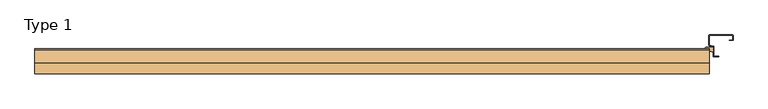
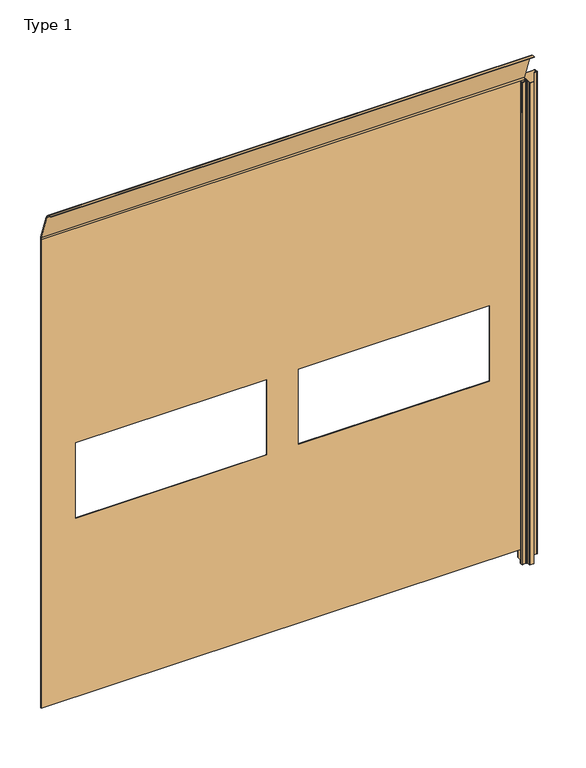
"""IFC4 building model written with IfcOpenShell, lengths in millimetres: door geometry, Type 1."""

from ifc_helpers import new_model, si_unit, frame, origin, place, context, project, spatial, polyline, circle_curve, source, transform, mapped, element, save
from ifc_brep_helpers import plane_surface, cylinder_surface, revolved_surface, advanced_brep


def type_1_74ce08aa(model_context):
    return source(origin(), model_context, "Body", "AdvancedBrep", [
        advanced_brep(
        [(1518.6, -163.0, 100.0), (1518.6, -167.0, 100.0), (-1518.6, -167.0, 100.0), (-1518.6, -163.0, 100.0), (1518.6, -167.0, 3210.0), (1518.6, -163.0, 3210.0), (1518.6, -166.0560661, 3227.9085343), (1518.6, -224.2464623, 3393.441215), (1518.6, -275.0, 3429.0), (1518.6, -275.0, 3425.0), (1518.6, -228.013005, 3392.0945108), (1518.6, -169.8296909, 3226.5819762), (-1518.6, -167.0, 3210.0), (-1300.0, -167.0, 1285.0), (-1300.0, -167.0, 1785.0), (-100.0, -167.0, 1785.0), (-100.0, -167.0, 1285.0), (100.0, -167.0, 1285.0), (100.0, -167.0, 1785.0), (1300.0, -167.0, 1785.0), (1300.0, -167.0, 1285.0), (-1518.6, -163.0, 3210.0), (-1518.6, -169.8296909, 3226.5819762), (-1518.6, -228.013005, 3392.0945108), (-1518.6, -275.0, 3425.0), (-1518.6, -275.0, 3429.0), (-1518.6, -224.2464623, 3393.441215), (-1518.6, -166.0560661, 3227.9085343), (-1300.0, -163.0, 1785.0), (-1300.0, -163.0, 1285.0), (-100.0, -163.0, 1285.0), (-100.0, -163.0, 1785.0), (100.0, -163.0, 1785.0), (100.0, -163.0, 1285.0), (1300.0, -163.0, 1285.0), (1300.0, -163.0, 1785.0)],
        [
            (0, 1),
            (1, 2),
            (2, 3),
            (3, 0),
            (4, 1),
            (0, 5),
            (5, 6, circle_curve(frame((1518.6, -217.0, 3210.0), z_axis=(1.0, 0.0, 0.0), x_axis=(0.0, 0.0, -1.0)), 54.0)),
            (6, 7),
            (7, 8, circle_curve(frame((1518.6, -275.0, 3375.0), z_axis=(1.0, 0.0, 0.0), x_axis=(0.0, 0.0, -1.0)), 54.0)),
            (8, 9),
            (9, 10, circle_curve(frame((1518.6, -275.0, 3375.0), z_axis=(-1.0, 0.0, 0.0), x_axis=(0.0, 0.0, -1.0)), 50.0)),
            (10, 11),
            (11, 4, circle_curve(frame((1518.6, -217.0, 3210.0), z_axis=(-1.0, 0.0, 0.0), x_axis=(0.0, 0.0, -1.0)), 50.0)),
            (12, 2),
            (4, 12),
            (13, 14),
            (14, 15),
            (15, 16),
            (16, 13),
            (17, 18),
            (18, 19),
            (19, 20),
            (20, 17),
            (21, 3),
            (12, 22, circle_curve(frame((-1518.6, -217.0, 3210.0), z_axis=(1.0, 0.0, 0.0), x_axis=(0.0, 0.0, -1.0)), 50.0)),
            (22, 23),
            (23, 24, circle_curve(frame((-1518.6, -275.0, 3375.0), z_axis=(1.0, 0.0, 0.0), x_axis=(0.0, 0.0, -1.0)), 50.0)),
            (24, 25),
            (25, 26, circle_curve(frame((-1518.6, -275.0, 3375.0), z_axis=(-1.0, 0.0, 0.0), x_axis=(0.0, 0.0, -1.0)), 54.0)),
            (26, 27),
            (27, 21, circle_curve(frame((-1518.6, -217.0, 3210.0), z_axis=(-1.0, 0.0, 0.0), x_axis=(0.0, 0.0, -1.0)), 54.0)),
            (21, 5),
            (28, 29),
            (29, 30),
            (30, 31),
            (31, 28),
            (32, 33),
            (33, 34),
            (34, 35),
            (35, 32),
            (27, 6),
            (11, 22),
            (10, 23),
            (9, 24),
            (8, 25),
            (7, 26),
            (13, 29),
            (28, 14),
            (16, 30),
            (15, 31),
            (17, 33),
            (32, 18),
            (20, 34),
            (19, 35),
        ],
        [
            plane_surface(frame((-1518.6, -163.0, 100.0), z_axis=(0.0, 0.0, -1.0), x_axis=(1.0, 0.0, 0.0))),
            plane_surface(frame((1518.6, -167.0, 3200.0), z_axis=(1.0, 0.0, 0.0), x_axis=(0.0, 0.0, -1.0))),
            plane_surface(frame((-1518.6, -167.0, 3200.0), z_axis=(0.0, -1.0, 0.0), x_axis=(0.0, 0.0, -1.0))),
            plane_surface(frame((-1518.6, -163.0, 3200.0), z_axis=(-1.0, 0.0, 0.0), x_axis=(0.0, 0.0, -1.0))),
            plane_surface(frame((1518.6, -163.0, 3200.0), z_axis=(0.0, 1.0, 0.0), x_axis=(0.0, 0.0, -1.0))),
            cylinder_surface(frame((1518.6, -217.0, 3210.0), z_axis=(-1.0, 0.0, 0.0), x_axis=(0.0, 0.0, -1.0)), 54.0),
            revolved_surface(polyline([(1518.6, -217.0, 3160.0), (-1518.6, -217.0, 3160.0)]), (1518.6, -217.0, 3210.0), (1.0, 0.0, 0.0)),
            plane_surface(frame((-1518.6, -169.8296909, 3226.5819762), z_axis=(0.0, -0.9434061827873614, -0.33163952460251134), x_axis=(1.0, 0.0, 0.0))),
            revolved_surface(polyline([(1518.6, -275.0, 3325.0), (-1518.6, -275.0, 3325.0)]), (1518.6, -275.0, 3375.0), (1.0, 0.0, 0.0)),
            plane_surface(frame((-1518.6, -275.0, 3425.0), z_axis=(0.0, -1.0, -1.9203971746150352e-12), x_axis=(1.0, 0.0, 0.0))),
            cylinder_surface(frame((1518.6, -275.0, 3375.0), z_axis=(-1.0, 0.0, 0.0), x_axis=(0.0, 0.0, -1.0)), 54.0),
            plane_surface(frame((-1518.6, -224.2464623, 3393.441215), z_axis=(0.0, 0.9434061827872796, 0.3316395246027442), x_axis=(1.0, 0.0, 0.0))),
            plane_surface(frame((-1300.0, -167.0, 1785.0), z_axis=(1.0, 0.0, 0.0), x_axis=(0.0, 1.0, 0.0))),
            plane_surface(frame((-1300.0, -167.0, 1285.0), z_axis=(0.0, 0.0, 1.0), x_axis=(0.0, 1.0, 0.0))),
            plane_surface(frame((-100.0, -167.0, 1285.0), z_axis=(-1.0, 0.0, 0.0), x_axis=(0.0, 1.0, 0.0))),
            plane_surface(frame((-100.0, -167.0, 1785.0), z_axis=(0.0, 0.0, -1.0), x_axis=(0.0, 1.0, 0.0))),
            plane_surface(frame((100.0, -167.0, 1785.0), z_axis=(1.0, 0.0, 0.0), x_axis=(0.0, 1.0, 0.0))),
            plane_surface(frame((100.0, -167.0, 1285.0), z_axis=(0.0, 0.0, 1.0), x_axis=(0.0, 1.0, 0.0))),
            plane_surface(frame((1300.0, -167.0, 1285.0), z_axis=(-1.0, 0.0, 0.0), x_axis=(0.0, 1.0, 0.0))),
            plane_surface(frame((1300.0, -167.0, 1785.0), z_axis=(0.0, 0.0, -1.0), x_axis=(0.0, 1.0, 0.0))),
        ],
        [
            (0, [[1, 2, 3, 4]]),
            (1, [[5, -1, 6, 7, 8, 9, 10, 11, 12, 13]]),
            (2, [[14, -2, -5, 15], [16, 17, 18, 19], [20, 21, 22, 23]]),
            (3, [[24, -3, -14, 25, 26, 27, 28, 29, 30, 31]]),
            (4, [[-4, -24, 32, -6], [33, 34, 35, 36], [37, 38, 39, 40]]),
            (5, [[-31, 41, -7, -32]]),
            (6, [[-25, -15, -13, 42]]),
            (7, [[-26, -42, -12, 43]]),
            (8, [[-27, -43, -11, 44]]),
            (9, [[-28, -44, -10, 45]]),
            (10, [[-29, -45, -9, 46]]),
            (11, [[-30, -46, -8, -41]]),
            (12, [[47, -33, 48, -16]]),
            (13, [[-47, -19, 49, -34]]),
            (14, [[-49, -18, 50, -35]]),
            (15, [[-48, -36, -50, -17]]),
            (16, [[51, -37, 52, -20]]),
            (17, [[-51, -23, 53, -38]]),
            (18, [[-53, -22, 54, -39]]),
            (19, [[-52, -40, -54, -21]]),
        ],
    ),
        advanced_brep(
        [(1525.3, -155.5, 0.0), (1526.3, -156.5, 0.0), (1526.3, -158.65, 0.0), (1529.0, -158.65, 0.0), (1529.0, -155.5, 0.0), (1530.0, -154.5, 0.0), (1534.0, -154.5, 0.0), (1535.0, -155.5, 0.0), (1535.0, -174.5, 0.0), (1534.0, -175.5, 0.0), (1530.0, -175.5, 0.0), (1529.0, -174.5, 0.0), (1529.0, -171.35, 0.0), (1526.3, -171.35, 0.0), (1526.3, -173.5, 0.0), (1525.3, -174.5, 0.0), (1505.0, -174.5, 0.0), (1500.0, -169.5, 0.0), (1500.0, -167.0, 0.0), (1504.1, -167.0, 0.0), (1505.1, -169.35, 0.0), (1516.6, -169.35, 0.0), (1518.6, -167.35, 0.0), (1518.6, -162.65, 0.0), (1516.6, -160.65, 0.0), (1505.1, -160.65, 0.0), (1504.1, -163.0, 0.0), (1500.0, -163.0, 0.0), (1500.0, -160.5, 0.0), (1505.0, -155.5, 0.0), (1525.3, -155.5, 3000.0), (1526.3, -156.5, 3000.0), (1526.3, -156.5, 3200.0), (1526.3, -158.65, 3200.0), (1526.3, -158.65, 3000.0), (1529.0, -158.65, 3000.0), (1529.0, -158.65, 3200.0), (1529.0, -155.5, 3200.0), (1529.0, -155.5, 3000.0), (1530.0, -154.5, 3000.0), (1530.0, -154.5, 3200.0), (1534.0, -154.5, 3200.0), (1534.0, -154.5, 3000.0), (1535.0, -155.5, 3000.0), (1535.0, -155.5, 3200.0), (1535.0, -174.5, 3200.0), (1535.0, -174.5, 3000.0), (1534.0, -175.5, 3000.0), (1534.0, -175.5, 3200.0), (1530.0, -175.5, 3200.0), (1530.0, -175.5, 3000.0), (1529.0, -174.5, 3000.0), (1529.0, -174.5, 3200.0), (1529.0, -171.35, 3200.0), (1529.0, -171.35, 3000.0), (1526.3, -171.35, 3000.0), (1526.3, -171.35, 3200.0), (1526.3, -173.5, 3200.0), (1526.3, -173.5, 3000.0), (1525.3, -174.5, 3000.0), (1525.3, -174.5, 3200.0), (1505.0, -174.5, 3200.0), (1505.0, -174.5, 3000.0), (1500.0, -169.5, 3000.0), (1500.0, -167.0, 3200.0), (1500.0, -169.5, 3200.0), (1504.1, -167.0, 3200.0), (1505.1, -169.35, 3200.0), (1516.6, -169.35, 3200.0), (1516.6, -169.35, 3000.0), (1518.6, -167.35, 3000.0), (1518.6, -167.35, 3200.0), (1518.6, -162.65, 3200.0), (1518.6, -162.65, 3000.0), (1516.6, -160.65, 3000.0), (1505.1, -160.65, 3200.0), (1516.6, -160.65, 3200.0), (1504.1, -163.0, 3200.0), (1500.0, -163.0, 3200.0), (1500.0, -160.5, 3200.0), (1500.0, -160.5, 3000.0), (1505.0, -155.5, 3000.0), (1505.0, -155.5, 3200.0), (1525.3, -155.5, 3200.0)],
        [
            (0, 1, circle_curve(frame((1525.3, -156.5, 0.0), z_axis=(0.0, 0.0, -1.0), x_axis=(-1.0, 0.0, 0.0)), 1.0)),
            (1, 2),
            (2, 3, circle_curve(frame((1527.65, -158.65, 0.0), z_axis=(0.0, 0.0, 1.0), x_axis=(-1.0, 0.0, 0.0)), 1.35)),
            (3, 4),
            (4, 5, circle_curve(frame((1530.0, -155.5, 0.0), z_axis=(0.0, 0.0, -1.0), x_axis=(-1.0, 0.0, 0.0)), 1.0)),
            (5, 6),
            (6, 7, circle_curve(frame((1534.0, -155.5, 0.0), z_axis=(0.0, 0.0, -1.0), x_axis=(-1.0, 0.0, 0.0)), 1.0)),
            (7, 8),
            (8, 9, circle_curve(frame((1534.0, -174.5, 0.0), z_axis=(0.0, 0.0, -1.0), x_axis=(-1.0, 0.0, 0.0)), 1.0)),
            (9, 10),
            (10, 11, circle_curve(frame((1530.0, -174.5, 0.0), z_axis=(0.0, 0.0, -1.0), x_axis=(-1.0, 0.0, 0.0)), 1.0)),
            (11, 12),
            (12, 13, circle_curve(frame((1527.65, -171.35, 0.0), z_axis=(0.0, 0.0, 1.0), x_axis=(-1.0, 0.0, 0.0)), 1.35)),
            (13, 14),
            (14, 15, circle_curve(frame((1525.3, -173.5, 0.0), z_axis=(0.0, 0.0, -1.0), x_axis=(-1.0, 0.0, 0.0)), 1.0)),
            (15, 16),
            (16, 17, circle_curve(frame((1505.0, -169.5, 0.0), z_axis=(0.0, 0.0, -1.0), x_axis=(-1.0, 0.0, 0.0)), 5.0)),
            (17, 18),
            (18, 19),
            (19, 20),
            (20, 21),
            (21, 22, circle_curve(frame((1516.6, -167.35, 0.0), z_axis=(0.0, 0.0, 1.0), x_axis=(-1.0, 0.0, 0.0)), 2.0)),
            (22, 23),
            (23, 24, circle_curve(frame((1516.6, -162.65, 0.0), z_axis=(0.0, 0.0, 1.0), x_axis=(-1.0, 0.0, 0.0)), 2.0)),
            (24, 25),
            (25, 26),
            (26, 27),
            (27, 28),
            (28, 29, circle_curve(frame((1505.0, -160.5, 0.0), z_axis=(0.0, 0.0, -1.0), x_axis=(-1.0, 0.0, 0.0)), 5.0)),
            (29, 0),
            (0, 30),
            (30, 31, circle_curve(frame((1525.3, -156.5, 3000.0), z_axis=(0.0, 0.0, -1.0), x_axis=(-1.0, 0.0, 0.0)), 1.0)),
            (31, 1),
            (31, 32),
            (32, 33),
            (33, 34),
            (34, 2),
            (34, 35, circle_curve(frame((1527.65, -158.65, 3000.0), z_axis=(0.0, 0.0, 1.0), x_axis=(-1.0, 0.0, 0.0)), 1.35)),
            (35, 3),
            (35, 36),
            (36, 37),
            (37, 38),
            (38, 4),
            (38, 39, circle_curve(frame((1530.0, -155.5, 3000.0), z_axis=(0.0, 0.0, -1.0), x_axis=(-1.0, 0.0, 0.0)), 1.0)),
            (39, 5),
            (39, 40),
            (40, 41),
            (41, 42),
            (42, 6),
            (42, 43, circle_curve(frame((1534.0, -155.5, 3000.0), z_axis=(0.0, 0.0, -1.0), x_axis=(-1.0, 0.0, 0.0)), 1.0)),
            (43, 7),
            (43, 44),
            (44, 45),
            (45, 46),
            (46, 8),
            (46, 47, circle_curve(frame((1534.0, -174.5, 3000.0), z_axis=(0.0, 0.0, -1.0), x_axis=(-1.0, 0.0, 0.0)), 1.0)),
            (47, 9),
            (47, 48),
            (48, 49),
            (49, 50),
            (50, 10),
            (50, 51, circle_curve(frame((1530.0, -174.5, 3000.0), z_axis=(0.0, 0.0, -1.0), x_axis=(-1.0, 0.0, 0.0)), 1.0)),
            (51, 11),
            (51, 52),
            (52, 53),
            (53, 54),
            (54, 12),
            (54, 55, circle_curve(frame((1527.65, -171.35, 3000.0), z_axis=(0.0, 0.0, 1.0), x_axis=(-1.0, 0.0, 0.0)), 1.35)),
            (55, 13),
            (55, 56),
            (56, 57),
            (57, 58),
            (58, 14),
            (58, 59, circle_curve(frame((1525.3, -173.5, 3000.0), z_axis=(0.0, 0.0, -1.0), x_axis=(-1.0, 0.0, 0.0)), 1.0)),
            (59, 15),
            (59, 60),
            (60, 61),
            (61, 62),
            (62, 16),
            (62, 63, circle_curve(frame((1505.0, -169.5, 3000.0), z_axis=(0.0, 0.0, -1.0), x_axis=(-1.0, 0.0, 0.0)), 5.0)),
            (63, 17),
            (64, 18),
            (63, 65),
            (65, 64),
            (66, 19),
            (64, 66),
            (67, 20),
            (66, 67),
            (67, 68),
            (68, 69),
            (69, 21),
            (69, 70, circle_curve(frame((1516.6, -167.35, 3000.0), z_axis=(0.0, 0.0, 1.0), x_axis=(-1.0, 0.0, 0.0)), 2.0)),
            (70, 22),
            (70, 71),
            (71, 72),
            (72, 73),
            (73, 23),
            (73, 74, circle_curve(frame((1516.6, -162.65, 3000.0), z_axis=(0.0, 0.0, 1.0), x_axis=(-1.0, 0.0, 0.0)), 2.0)),
            (74, 24),
            (75, 25),
            (74, 76),
            (76, 75),
            (77, 26),
            (75, 77),
            (78, 27),
            (77, 78),
            (78, 79),
            (79, 80),
            (80, 28),
            (80, 81, circle_curve(frame((1505.0, -160.5, 3000.0), z_axis=(0.0, 0.0, -1.0), x_axis=(-1.0, 0.0, 0.0)), 5.0)),
            (81, 29),
            (81, 82),
            (82, 83),
            (83, 30),
            (79, 82, circle_curve(frame((1505.0, -160.5, 3200.0), z_axis=(0.0, 0.0, -1.0), x_axis=(0.0, -1.0, 0.0)), 5.0)),
            (76, 72, circle_curve(frame((1516.6, -162.65, 3200.0), z_axis=(0.0, 0.0, -1.0), x_axis=(0.0, -1.0, 0.0)), 2.0)),
            (71, 68, circle_curve(frame((1516.6, -167.35, 3200.0), z_axis=(0.0, 0.0, -1.0), x_axis=(0.0, -1.0, 0.0)), 2.0)),
            (65, 61, circle_curve(frame((1505.0, -169.5, 3200.0), z_axis=(0.0, 0.0, 1.0), x_axis=(0.0, -1.0, 0.0)), 5.0)),
            (60, 57, circle_curve(frame((1525.3, -173.5, 3200.0), z_axis=(0.0, 0.0, 1.0), x_axis=(0.0, -1.0, 0.0)), 1.0)),
            (56, 53, circle_curve(frame((1527.65, -171.35, 3200.0), z_axis=(0.0, 0.0, -1.0), x_axis=(0.0, -1.0, 0.0)), 1.35)),
            (52, 49, circle_curve(frame((1530.0, -174.5, 3200.0), z_axis=(0.0, 0.0, 1.0), x_axis=(0.0, -1.0, 0.0)), 1.0)),
            (48, 45, circle_curve(frame((1534.0, -174.5, 3200.0), z_axis=(0.0, 0.0, 1.0), x_axis=(0.0, -1.0, 0.0)), 1.0)),
            (44, 41, circle_curve(frame((1534.0, -155.5, 3200.0), z_axis=(0.0, 0.0, 1.0), x_axis=(0.0, -1.0, 0.0)), 1.0)),
            (40, 37, circle_curve(frame((1530.0, -155.5, 3200.0), z_axis=(0.0, 0.0, 1.0), x_axis=(0.0, -1.0, 0.0)), 1.0)),
            (36, 33, circle_curve(frame((1527.65, -158.65, 3200.0), z_axis=(0.0, 0.0, -1.0), x_axis=(0.0, -1.0, 0.0)), 1.35)),
            (32, 83, circle_curve(frame((1525.3, -156.5, 3200.0), z_axis=(0.0, 0.0, 1.0), x_axis=(0.0, -1.0, 0.0)), 1.0)),
        ],
        [
            plane_surface(frame((1500.0, -100.0, 0.0), z_axis=(0.0, 0.0, -1.0), x_axis=(-1.0, 0.0, 0.0))),
            cylinder_surface(frame((1525.3, -156.5, 3000.0), z_axis=(0.0, 0.0, 1.0), x_axis=(-1.0, 0.0, 0.0)), 1.0),
            plane_surface(frame((1526.3, -158.65, 3000.0), z_axis=(1.0, 0.0, 0.0), x_axis=(0.0, 0.0, -1.0))),
            revolved_surface(polyline([(1526.3000000000002, -158.65, 0.0), (1526.3000000000002, -158.65, 3000.0)]), (1527.65, -158.65, 3000.0), (0.0, 0.0, -1.0)),
            plane_surface(frame((1529.0, -155.5, 3000.0), z_axis=(-1.0, 0.0, 0.0), x_axis=(0.0, 0.0, -1.0))),
            cylinder_surface(frame((1530.0, -155.5, 3000.0), z_axis=(0.0, 0.0, 1.0), x_axis=(-1.0, 0.0, 0.0)), 1.0),
            plane_surface(frame((1534.0, -154.5, 3000.0), z_axis=(0.0, 1.0, 0.0), x_axis=(0.0, 0.0, -1.0))),
            cylinder_surface(frame((1534.0, -155.5, 3000.0), z_axis=(0.0, 0.0, 1.0), x_axis=(-1.0, 0.0, 0.0)), 1.0),
            plane_surface(frame((1535.0, -174.5, 3000.0), z_axis=(1.0, 0.0, 0.0), x_axis=(0.0, 0.0, -1.0))),
            cylinder_surface(frame((1534.0, -174.5, 3000.0), z_axis=(0.0, 0.0, 1.0), x_axis=(-1.0, 0.0, 0.0)), 1.0),
            plane_surface(frame((1530.0, -175.5, 3000.0), z_axis=(0.0, -1.0, 0.0), x_axis=(0.0, 0.0, -1.0))),
            cylinder_surface(frame((1530.0, -174.5, 3000.0), z_axis=(0.0, 0.0, 1.0), x_axis=(-1.0, 0.0, 0.0)), 1.0),
            plane_surface(frame((1529.0, -171.35, 3000.0), z_axis=(-1.0, 0.0, 0.0), x_axis=(0.0, 0.0, -1.0))),
            revolved_surface(polyline([(1526.3000000000002, -171.35, 0.0), (1526.3000000000002, -171.35, 3000.0)]), (1527.65, -171.35, 3000.0), (0.0, 0.0, -1.0)),
            plane_surface(frame((1526.3, -173.5, 3000.0), z_axis=(1.0, 0.0, 0.0), x_axis=(0.0, 0.0, -1.0))),
            cylinder_surface(frame((1525.3, -173.5, 3000.0), z_axis=(0.0, 0.0, 1.0), x_axis=(-1.0, 0.0, 0.0)), 1.0),
            plane_surface(frame((1505.0, -174.5, 3000.0), z_axis=(0.0, -1.0, 0.0), x_axis=(0.0, 0.0, -1.0))),
            cylinder_surface(frame((1505.0, -169.5, 3000.0), z_axis=(0.0, 0.0, 1.0), x_axis=(-1.0, 0.0, 0.0)), 5.0),
            plane_surface(frame((1500.0, -167.0, 3000.0), z_axis=(-1.0, 0.0, 0.0), x_axis=(0.0, 0.0, -1.0))),
            plane_surface(frame((1504.1, -167.0, 3000.0), z_axis=(0.0, 1.0, 0.0), x_axis=(0.0, 0.0, -1.0))),
            plane_surface(frame((1505.1, -169.35, 3000.0), z_axis=(0.9201546356276765, 0.391555164099387, 0.0), x_axis=(0.0, 0.0, -1.0))),
            plane_surface(frame((1516.6, -169.35, 3000.0), z_axis=(0.0, 1.0, 0.0), x_axis=(0.0, 0.0, -1.0))),
            revolved_surface(polyline([(1514.6, -167.35, 0.0), (1514.6, -167.35, 3000.0)]), (1516.6, -167.35, 3000.0), (0.0, 0.0, -1.0)),
            plane_surface(frame((1518.6, -162.65, 3000.0), z_axis=(-1.0, 0.0, 0.0), x_axis=(0.0, 0.0, -1.0))),
            revolved_surface(polyline([(1514.6, -162.65, 0.0), (1514.6, -162.65, 3000.0)]), (1516.6, -162.65, 3000.0), (0.0, 0.0, -1.0)),
            plane_surface(frame((1505.1, -160.65, 3000.0), z_axis=(0.0, -1.0, 0.0), x_axis=(0.0, 0.0, -1.0))),
            plane_surface(frame((1504.1, -163.0, 3000.0), z_axis=(0.9201546356295455, -0.3915551640949951, 0.0), x_axis=(0.0, 0.0, -1.0))),
            plane_surface(frame((1500.0, -163.0, 3000.0), z_axis=(0.0, -1.0, 0.0), x_axis=(0.0, 0.0, -1.0))),
            plane_surface(frame((1500.0, -160.5, 3000.0), z_axis=(-1.0, 0.0, 0.0), x_axis=(0.0, 0.0, -1.0))),
            cylinder_surface(frame((1505.0, -160.5, 3000.0), z_axis=(0.0, 0.0, 1.0), x_axis=(-1.0, 0.0, 0.0)), 5.0),
            plane_surface(frame((1525.3, -155.5, 3000.0), z_axis=(0.0, 1.0, 0.0), x_axis=(0.0, 0.0, -1.0))),
            cylinder_surface(frame((1505.0, -160.5, 3200.0), z_axis=(0.0, 0.0, -1.0), x_axis=(0.0, -1.0, 0.0)), 5.0),
            plane_surface(frame((1525.3, -155.5, 3200.0), z_axis=(0.0, 0.0, 1.0), x_axis=(-1.0, 0.0, 0.0))),
            cylinder_surface(frame((1525.3, -156.5, 3200.0), z_axis=(0.0, 0.0, -1.0), x_axis=(0.0, -1.0, 0.0)), 1.0),
            revolved_surface(polyline([(1516.6, -164.65, 3200.0), (1516.6, -164.65, 3000.0)]), (1516.6, -162.65, 3200.0), (0.0, 0.0, 1.0)),
            revolved_surface(polyline([(1516.6, -169.35, 3200.0), (1516.6, -169.35, 3000.0)]), (1516.6, -167.35, 3200.0), (0.0, 0.0, 1.0)),
            cylinder_surface(frame((1505.0, -169.5, 3200.0), z_axis=(0.0, 0.0, -1.0), x_axis=(0.0, -1.0, 0.0)), 5.0),
            cylinder_surface(frame((1525.3, -173.5, 3200.0), z_axis=(0.0, 0.0, -1.0), x_axis=(0.0, -1.0, 0.0)), 1.0),
            revolved_surface(polyline([(1527.65, -172.7, 3200.0), (1527.65, -172.7, 3000.0)]), (1527.65, -171.35, 3200.0), (0.0, 0.0, 1.0)),
            cylinder_surface(frame((1530.0, -174.5, 3200.0), z_axis=(0.0, 0.0, -1.0), x_axis=(0.0, -1.0, 0.0)), 1.0),
            cylinder_surface(frame((1534.0, -174.5, 3200.0), z_axis=(0.0, 0.0, -1.0), x_axis=(0.0, -1.0, 0.0)), 1.0),
            cylinder_surface(frame((1534.0, -155.5, 3200.0), z_axis=(0.0, 0.0, -1.0), x_axis=(0.0, -1.0, 0.0)), 1.0),
            cylinder_surface(frame((1530.0, -155.5, 3200.0), z_axis=(0.0, 0.0, -1.0), x_axis=(0.0, -1.0, 0.0)), 1.0),
            revolved_surface(polyline([(1527.65, -160.0, 3200.0), (1527.65, -160.0, 3000.0)]), (1527.65, -158.65, 3200.0), (0.0, 0.0, 1.0)),
        ],
        [
            (0, [[1, 2, 3, 4, 5, 6, 7, 8, 9, 10, 11, 12, 13, 14, 15, 16, 17, 18, 19, 20, 21, 22, 23, 24, 25, 26, 27, 28, 29, 30]]),
            (1, [[-1, 31, 32, 33]]),
            (2, [[-2, -33, 34, 35, 36, 37]]),
            (3, [[-3, -37, 38, 39]]),
            (4, [[-4, -39, 40, 41, 42, 43]]),
            (5, [[-5, -43, 44, 45]]),
            (6, [[-6, -45, 46, 47, 48, 49]]),
            (7, [[-7, -49, 50, 51]]),
            (8, [[-8, -51, 52, 53, 54, 55]]),
            (9, [[-9, -55, 56, 57]]),
            (10, [[-10, -57, 58, 59, 60, 61]]),
            (11, [[-11, -61, 62, 63]]),
            (12, [[-12, -63, 64, 65, 66, 67]]),
            (13, [[-13, -67, 68, 69]]),
            (14, [[-14, -69, 70, 71, 72, 73]]),
            (15, [[-15, -73, 74, 75]]),
            (16, [[-16, -75, 76, 77, 78, 79]]),
            (17, [[-17, -79, 80, 81]]),
            (18, [[82, -18, -81, 83, 84]]),
            (19, [[85, -19, -82, 86]]),
            (20, [[87, -20, -85, 88]]),
            (21, [[-21, -87, 89, 90, 91]]),
            (22, [[-22, -91, 92, 93]]),
            (23, [[-23, -93, 94, 95, 96, 97]]),
            (24, [[-24, -97, 98, 99]]),
            (25, [[100, -25, -99, 101, 102]]),
            (26, [[103, -26, -100, 104]]),
            (27, [[105, -27, -103, 106]]),
            (28, [[-28, -105, 107, 108, 109]]),
            (29, [[-29, -109, 110, 111]]),
            (30, [[-30, -111, 112, 113, 114, -31]]),
            (31, [[115, -112, -110, -108]]),
            (32, [[-115, -107, -106, -104, -102, 116, -95, 117, -89, -88, -86, -84, 118, -77, 119, -71, 120, -65, 121, -59, 122, -53, 123, -47, 124, -41, 125, -35, 126, -113]]),
            (33, [[-126, -34, -32, -114]]),
            (34, [[-116, -101, -98, -96]]),
            (35, [[-117, -94, -92, -90]]),
            (36, [[-118, -83, -80, -78]]),
            (37, [[-119, -76, -74, -72]]),
            (38, [[-120, -70, -68, -66]]),
            (39, [[-121, -64, -62, -60]]),
            (40, [[-122, -58, -56, -54]]),
            (41, [[-123, -52, -50, -48]]),
            (42, [[-124, -46, -44, -42]]),
            (43, [[-125, -40, -38, -36]]),
        ],
    ),
        advanced_brep(
        [(1622.2, -100.0, 0.0), (1625.0, -102.8, 0.0), (1625.0, -122.2, 0.0), (1622.2, -125.0, 0.0), (1607.0, -125.0, 0.0), (1607.0, -123.0, 0.0), (1622.2, -123.0, 0.0), (1623.0, -122.2, 0.0), (1623.0, -102.8, 0.0), (1622.2, -102.0, 0.0), (1517.8, -102.0, 0.0), (1517.0, -102.8, 0.0), (1517.0, -145.3138261, 0.0), (1517.6059715, -146.0899401, 0.0), (1534.8790998, -150.4082221, 0.0), (1537.0, -153.1246211, 0.0), (1537.0, -195.7, 0.0), (1537.8, -196.5, 0.0), (1560.0, -196.5, 0.0), (1560.0, -198.5, 0.0), (1537.8, -198.5, 0.0), (1535.0, -195.7, 0.0), (1535.0, -153.1246211, 0.0), (1534.3940285, -152.3485071, 0.0), (1517.1209002, -148.0302251, 0.0), (1515.0, -145.3138261, 0.0), (1515.0, -102.8, 0.0), (1517.8, -100.0, 0.0), (1622.2, -100.0, 3000.0), (1625.0, -102.8, 3000.0), (1625.0, -102.8, 3200.0), (1625.0, -122.2, 3200.0), (1625.0, -122.2, 3000.0), (1622.2, -125.0, 3000.0), (1607.0, -125.0, 3200.0), (1622.2, -125.0, 3200.0), (1607.0, -123.0, 3200.0), (1622.2, -123.0, 3200.0), (1622.2, -123.0, 3000.0), (1623.0, -122.2, 3000.0), (1623.0, -122.2, 3200.0), (1623.0, -102.8, 3200.0), (1623.0, -102.8, 3000.0), (1622.2, -102.0, 3000.0), (1622.2, -102.0, 3200.0), (1517.8, -102.0, 3200.0), (1517.8, -102.0, 3000.0), (1517.0, -102.8, 3000.0), (1517.0, -102.8, 3200.0), (1517.0, -145.3138261, 3200.0), (1517.0, -145.3138261, 3000.0), (1517.6059715, -146.0899401, 3000.0), (1517.6059715, -146.0899401, 3200.0), (1534.8790998, -150.4082221, 3200.0), (1534.8790998, -150.4082221, 3000.0), (1537.0, -153.1246211, 3000.0), (1537.0, -153.1246211, 3200.0), (1537.0, -195.7, 3200.0), (1537.0, -195.7, 3000.0), (1537.8, -196.5, 3000.0), (1560.0, -196.5, 3200.0), (1537.8, -196.5, 3200.0), (1560.0, -198.5, 3200.0), (1537.8, -198.5, 3200.0), (1537.8, -198.5, 3000.0), (1535.0, -195.7, 3000.0), (1535.0, -195.7, 3200.0), (1535.0, -153.1246211, 3200.0), (1535.0, -153.1246211, 3000.0), (1534.3940285, -152.3485071, 3000.0), (1534.3940285, -152.3485071, 3200.0), (1517.1209002, -148.0302251, 3200.0), (1517.1209002, -148.0302251, 3000.0), (1515.0, -145.3138261, 3000.0), (1515.0, -145.3138261, 3200.0), (1515.0, -102.8, 3200.0), (1515.0, -102.8, 3000.0), (1517.8, -100.0, 3000.0), (1517.8, -100.0, 3200.0), (1622.2, -100.0, 3200.0)],
        [
            (0, 1, circle_curve(frame((1622.2, -102.8, 0.0), z_axis=(0.0, 0.0, -1.0), x_axis=(-1.0, 0.0, 0.0)), 2.8)),
            (1, 2),
            (2, 3, circle_curve(frame((1622.2, -122.2, 0.0), z_axis=(0.0, 0.0, -1.0), x_axis=(-1.0, 0.0, 0.0)), 2.8)),
            (3, 4),
            (4, 5),
            (5, 6),
            (6, 7, circle_curve(frame((1622.2, -122.2, 0.0), z_axis=(0.0, 0.0, 1.0), x_axis=(-1.0, 0.0, 0.0)), 0.8)),
            (7, 8),
            (8, 9, circle_curve(frame((1622.2, -102.8, 0.0), z_axis=(0.0, 0.0, 1.0), x_axis=(-1.0, 0.0, 0.0)), 0.8)),
            (9, 10),
            (10, 11, circle_curve(frame((1517.8, -102.8, 0.0), z_axis=(0.0, 0.0, 1.0), x_axis=(-1.0, 0.0, 0.0)), 0.8)),
            (11, 12),
            (12, 13, circle_curve(frame((1517.8, -145.3138261, 0.0), z_axis=(0.0, 0.0, 1.0), x_axis=(-1.0, 0.0, 0.0)), 0.8)),
            (13, 14),
            (14, 15, circle_curve(frame((1534.2, -153.1246211, 0.0), z_axis=(0.0, 0.0, -1.0), x_axis=(-1.0, 0.0, 0.0)), 2.8)),
            (15, 16),
            (16, 17, circle_curve(frame((1537.8, -195.7, 0.0), z_axis=(0.0, 0.0, 1.0), x_axis=(-1.0, 0.0, 0.0)), 0.8)),
            (17, 18),
            (18, 19),
            (19, 20),
            (20, 21, circle_curve(frame((1537.8, -195.7, 0.0), z_axis=(0.0, 0.0, -1.0), x_axis=(-1.0, 0.0, 0.0)), 2.8)),
            (21, 22),
            (22, 23, circle_curve(frame((1534.2, -153.1246211, 0.0), z_axis=(0.0, 0.0, 1.0), x_axis=(-1.0, 0.0, 0.0)), 0.8)),
            (23, 24),
            (24, 25, circle_curve(frame((1517.8, -145.3138261, 0.0), z_axis=(0.0, 0.0, -1.0), x_axis=(-1.0, 0.0, 0.0)), 2.8)),
            (25, 26),
            (26, 27, circle_curve(frame((1517.8, -102.8, 0.0), z_axis=(0.0, 0.0, -1.0), x_axis=(-1.0, 0.0, 0.0)), 2.8)),
            (27, 0),
            (0, 28),
            (28, 29, circle_curve(frame((1622.2, -102.8, 3000.0), z_axis=(0.0, 0.0, -1.0), x_axis=(-1.0, 0.0, 0.0)), 2.8)),
            (29, 1),
            (29, 30),
            (30, 31),
            (31, 32),
            (32, 2),
            (32, 33, circle_curve(frame((1622.2, -122.2, 3000.0), z_axis=(0.0, 0.0, -1.0), x_axis=(-1.0, 0.0, 0.0)), 2.8)),
            (33, 3),
            (34, 4),
            (33, 35),
            (35, 34),
            (36, 5),
            (34, 36),
            (36, 37),
            (37, 38),
            (38, 6),
            (38, 39, circle_curve(frame((1622.2, -122.2, 3000.0), z_axis=(0.0, 0.0, 1.0), x_axis=(-1.0, 0.0, 0.0)), 0.8)),
            (39, 7),
            (39, 40),
            (40, 41),
            (41, 42),
            (42, 8),
            (42, 43, circle_curve(frame((1622.2, -102.8, 3000.0), z_axis=(0.0, 0.0, 1.0), x_axis=(-1.0, 0.0, 0.0)), 0.8)),
            (43, 9),
            (43, 44),
            (44, 45),
            (45, 46),
            (46, 10),
            (46, 47, circle_curve(frame((1517.8, -102.8, 3000.0), z_axis=(0.0, 0.0, 1.0), x_axis=(-1.0, 0.0, 0.0)), 0.8)),
            (47, 11),
            (47, 48),
            (48, 49),
            (49, 50),
            (50, 12),
            (50, 51, circle_curve(frame((1517.8, -145.3138261, 3000.0), z_axis=(0.0, 0.0, 1.0), x_axis=(-1.0, 0.0, 0.0)), 0.8)),
            (51, 13),
            (51, 52),
            (52, 53),
            (53, 54),
            (54, 14),
            (54, 55, circle_curve(frame((1534.2, -153.1246211, 3000.0), z_axis=(0.0, 0.0, -1.0), x_axis=(-1.0, 0.0, 0.0)), 2.8)),
            (55, 15),
            (55, 56),
            (56, 57),
            (57, 58),
            (58, 16),
            (58, 59, circle_curve(frame((1537.8, -195.7, 3000.0), z_axis=(0.0, 0.0, 1.0), x_axis=(-1.0, 0.0, 0.0)), 0.8)),
            (59, 17),
            (60, 18),
            (59, 61),
            (61, 60),
            (62, 19),
            (60, 62),
            (62, 63),
            (63, 64),
            (64, 20),
            (64, 65, circle_curve(frame((1537.8, -195.7, 3000.0), z_axis=(0.0, 0.0, -1.0), x_axis=(-1.0, 0.0, 0.0)), 2.8)),
            (65, 21),
            (65, 66),
            (66, 67),
            (67, 68),
            (68, 22),
            (68, 69, circle_curve(frame((1534.2, -153.1246211, 3000.0), z_axis=(0.0, 0.0, 1.0), x_axis=(-1.0, 0.0, 0.0)), 0.8)),
            (69, 23),
            (69, 70),
            (70, 71),
            (71, 72),
            (72, 24),
            (72, 73, circle_curve(frame((1517.8, -145.3138261, 3000.0), z_axis=(0.0, 0.0, -1.0), x_axis=(-1.0, 0.0, 0.0)), 2.8)),
            (73, 25),
            (73, 74),
            (74, 75),
            (75, 76),
            (76, 26),
            (76, 77, circle_curve(frame((1517.8, -102.8, 3000.0), z_axis=(0.0, 0.0, -1.0), x_axis=(-1.0, 0.0, 0.0)), 2.8)),
            (77, 27),
            (77, 78),
            (78, 79),
            (79, 28),
            (75, 78, circle_curve(frame((1517.8, -102.8, 3200.0), z_axis=(0.0, 0.0, -1.0), x_axis=(0.0, 1.0, 0.0)), 2.8)),
            (35, 31, circle_curve(frame((1622.2, -122.2, 3200.0), z_axis=(0.0, 0.0, 1.0), x_axis=(0.0, -1.0, 0.0)), 2.8)),
            (30, 79, circle_curve(frame((1622.2, -102.8, 3200.0), z_axis=(0.0, 0.0, 1.0), x_axis=(1.0, 0.0, 0.0)), 2.8)),
            (74, 71, circle_curve(frame((1517.8, -145.3138261, 3200.0), z_axis=(0.0, 0.0, 1.0), x_axis=(-1.0, 0.0, 0.0)), 2.8)),
            (70, 67, circle_curve(frame((1534.2, -153.1246211, 3200.0), z_axis=(0.0, 0.0, -1.0), x_axis=(0.24253562503417367, 0.9701425001458717, 0.0)), 0.8)),
            (66, 63, circle_curve(frame((1537.8, -195.7, 3200.0), z_axis=(0.0, 0.0, 1.0), x_axis=(-1.0, 0.0, 0.0)), 2.8)),
            (61, 57, circle_curve(frame((1537.8, -195.7, 3200.0), z_axis=(0.0, 0.0, -1.0), x_axis=(-1.0, 0.0, 0.0)), 0.8)),
            (56, 53, circle_curve(frame((1534.2, -153.1246211, 3200.0), z_axis=(0.0, 0.0, 1.0), x_axis=(0.24253562503417367, 0.9701425001458717, 0.0)), 2.8)),
            (52, 49, circle_curve(frame((1517.8, -145.3138261, 3200.0), z_axis=(0.0, 0.0, -1.0), x_axis=(-1.0, 0.0, 0.0)), 0.8)),
            (48, 45, circle_curve(frame((1517.8, -102.8, 3200.0), z_axis=(0.0, 0.0, -1.0), x_axis=(0.0, 1.0, 0.0)), 0.8)),
            (44, 41, circle_curve(frame((1622.2, -102.8, 3200.0), z_axis=(0.0, 0.0, -1.0), x_axis=(1.0, 0.0, 0.0)), 0.8)),
            (40, 37, circle_curve(frame((1622.2, -122.2, 3200.0), z_axis=(0.0, 0.0, -1.0), x_axis=(0.0, -1.0, 0.0)), 0.8)),
        ],
        [
            plane_surface(frame((1500.0, -100.0, 0.0), z_axis=(0.0, 0.0, -1.0), x_axis=(-1.0, 0.0, 0.0))),
            cylinder_surface(frame((1622.2, -102.8, 3000.0), z_axis=(0.0, 0.0, 1.0), x_axis=(-1.0, 0.0, 0.0)), 2.8),
            plane_surface(frame((1625.0, -122.2, 3000.0), z_axis=(1.0, 0.0, 0.0), x_axis=(0.0, 0.0, -1.0))),
            cylinder_surface(frame((1622.2, -122.2, 3000.0), z_axis=(0.0, 0.0, 1.0), x_axis=(-1.0, 0.0, 0.0)), 2.8),
            plane_surface(frame((1607.0, -125.0, 3000.0), z_axis=(0.0, -1.0, 0.0), x_axis=(0.0, 0.0, -1.0))),
            plane_surface(frame((1607.0, -123.0, 3000.0), z_axis=(-1.0, 0.0, 0.0), x_axis=(0.0, 0.0, -1.0))),
            plane_surface(frame((1622.2, -123.0, 3000.0), z_axis=(0.0, 1.0, 0.0), x_axis=(0.0, 0.0, -1.0))),
            revolved_surface(polyline([(1621.4, -122.2, 0.0), (1621.4, -122.2, 3000.0)]), (1622.2, -122.2, 3000.0), (0.0, 0.0, -1.0)),
            plane_surface(frame((1623.0, -102.8, 3000.0), z_axis=(-1.0, 0.0, 0.0), x_axis=(0.0, 0.0, -1.0))),
            revolved_surface(polyline([(1621.4, -102.8, 0.0), (1621.4, -102.8, 3000.0)]), (1622.2, -102.8, 3000.0), (0.0, 0.0, -1.0)),
            plane_surface(frame((1517.8, -102.0, 3000.0), z_axis=(0.0, -1.0, 0.0), x_axis=(0.0, 0.0, -1.0))),
            revolved_surface(polyline([(1517.0, -102.8, 0.0), (1517.0, -102.8, 3000.0)]), (1517.8, -102.8, 3000.0), (0.0, 0.0, -1.0)),
            plane_surface(frame((1517.0, -145.3138261, 3000.0), z_axis=(1.0, 0.0, 0.0), x_axis=(0.0, 0.0, -1.0))),
            revolved_surface(polyline([(1517.0, -145.3138261, 0.0), (1517.0, -145.3138261, 3000.0)]), (1517.8, -145.3138261, 3000.0), (0.0, 0.0, -1.0)),
            plane_surface(frame((1534.8790998, -150.4082221, 3000.0), z_axis=(0.24253562503536347, 0.9701425001455743, 0.0), x_axis=(0.0, 0.0, -1.0))),
            cylinder_surface(frame((1534.2, -153.1246211, 3000.0), z_axis=(0.0, 0.0, 1.0), x_axis=(-1.0, 0.0, 0.0)), 2.8),
            plane_surface(frame((1537.0, -195.7, 3000.0), z_axis=(1.0, 0.0, 0.0), x_axis=(0.0, 0.0, -1.0))),
            revolved_surface(polyline([(1537.0, -195.7, 0.0), (1537.0, -195.7, 3000.0)]), (1537.8, -195.7, 3000.0), (0.0, 0.0, -1.0)),
            plane_surface(frame((1560.0, -196.5, 3000.0), z_axis=(0.0, 1.0, 0.0), x_axis=(0.0, 0.0, -1.0))),
            plane_surface(frame((1560.0, -198.5, 3000.0), z_axis=(1.0, 0.0, 0.0), x_axis=(0.0, 0.0, -1.0))),
            plane_surface(frame((1537.8, -198.5, 3000.0), z_axis=(0.0, -1.0, 0.0), x_axis=(0.0, 0.0, -1.0))),
            cylinder_surface(frame((1537.8, -195.7, 3000.0), z_axis=(0.0, 0.0, 1.0), x_axis=(-1.0, 0.0, 0.0)), 2.8),
            plane_surface(frame((1535.0, -153.1246211, 3000.0), z_axis=(-1.0, 0.0, 0.0), x_axis=(0.0, 0.0, -1.0))),
            revolved_surface(polyline([(1533.4, -153.1246211, 0.0), (1533.4, -153.1246211, 3000.0)]), (1534.2, -153.1246211, 3000.0), (0.0, 0.0, -1.0)),
            plane_surface(frame((1517.1209002, -148.0302251, 3000.0), z_axis=(-0.24253562503407194, -0.9701425001458972, 0.0), x_axis=(0.0, 0.0, -1.0))),
            cylinder_surface(frame((1517.8, -145.3138261, 3000.0), z_axis=(0.0, 0.0, 1.0), x_axis=(-1.0, 0.0, 0.0)), 2.8),
            plane_surface(frame((1515.0, -102.8, 3000.0), z_axis=(-1.0, 0.0, 0.0), x_axis=(0.0, 0.0, -1.0))),
            cylinder_surface(frame((1517.8, -102.8, 3000.0), z_axis=(0.0, 0.0, 1.0), x_axis=(-1.0, 0.0, 0.0)), 2.8),
            plane_surface(frame((1622.2, -100.0, 3000.0), z_axis=(0.0, 1.0, 0.0), x_axis=(0.0, 0.0, -1.0))),
            cylinder_surface(frame((1517.8, -102.8, 3000.0), z_axis=(0.0, 0.0, 1.0), x_axis=(0.0, 1.0, 0.0)), 2.8),
            plane_surface(frame((1607.0, -125.0, 3200.0), z_axis=(0.0, 0.0, 1.0), x_axis=(1.0, 0.0, 0.0))),
            cylinder_surface(frame((1622.2, -102.8, 3000.0), z_axis=(0.0, 0.0, 1.0), x_axis=(1.0, 0.0, 0.0)), 2.8),
            revolved_surface(polyline([(1534.3940285000274, -152.3485070998833, 3000.0), (1534.3940285000274, -152.3485070998833, 3200.0)]), (1534.2, -153.1246211, 3000.0), (0.0, 0.0, -1.0)),
            revolved_surface(polyline([(1537.0, -195.7, 3200.0), (1537.0, -195.7, 3000.0)]), (1537.8, -195.7, 3000.0), (0.0, 0.0, 1.0)),
            cylinder_surface(frame((1534.2, -153.1246211, 3000.0), z_axis=(0.0, 0.0, -1.0), x_axis=(0.24253562503417367, 0.9701425001458717, 0.0)), 2.8),
            revolved_surface(polyline([(1517.0, -145.3138261, 3200.0), (1517.0, -145.3138261, 3000.0)]), (1517.8, -145.3138261, 3000.0), (0.0, 0.0, 1.0)),
            revolved_surface(polyline([(1517.8, -102.0, 3200.0), (1517.8, -102.0, 3000.0)]), (1517.8, -102.8, 3000.0), (0.0, 0.0, 1.0)),
            revolved_surface(polyline([(1623.0, -102.8, 3200.0), (1623.0, -102.8, 3000.0)]), (1622.2, -102.8, 3000.0), (0.0, 0.0, 1.0)),
            revolved_surface(polyline([(1622.2, -123.0, 3200.0), (1622.2, -123.0, 3000.0)]), (1622.2, -122.2, 3000.0), (0.0, 0.0, 1.0)),
            cylinder_surface(frame((1622.2, -122.2, 3000.0), z_axis=(0.0, 0.0, 1.0), x_axis=(0.0, -1.0, 0.0)), 2.8),
        ],
        [
            (0, [[1, 2, 3, 4, 5, 6, 7, 8, 9, 10, 11, 12, 13, 14, 15, 16, 17, 18, 19, 20, 21, 22, 23, 24, 25, 26, 27, 28]]),
            (1, [[-1, 29, 30, 31]]),
            (2, [[-2, -31, 32, 33, 34, 35]]),
            (3, [[-3, -35, 36, 37]]),
            (4, [[38, -4, -37, 39, 40]]),
            (5, [[41, -5, -38, 42]]),
            (6, [[-6, -41, 43, 44, 45]]),
            (7, [[-7, -45, 46, 47]]),
            (8, [[-8, -47, 48, 49, 50, 51]]),
            (9, [[-9, -51, 52, 53]]),
            (10, [[-10, -53, 54, 55, 56, 57]]),
            (11, [[-11, -57, 58, 59]]),
            (12, [[-12, -59, 60, 61, 62, 63]]),
            (13, [[-13, -63, 64, 65]]),
            (14, [[-14, -65, 66, 67, 68, 69]]),
            (15, [[-15, -69, 70, 71]]),
            (16, [[-16, -71, 72, 73, 74, 75]]),
            (17, [[-17, -75, 76, 77]]),
            (18, [[78, -18, -77, 79, 80]]),
            (19, [[81, -19, -78, 82]]),
            (20, [[-20, -81, 83, 84, 85]]),
            (21, [[-21, -85, 86, 87]]),
            (22, [[-22, -87, 88, 89, 90, 91]]),
            (23, [[-23, -91, 92, 93]]),
            (24, [[-24, -93, 94, 95, 96, 97]]),
            (25, [[-25, -97, 98, 99]]),
            (26, [[-26, -99, 100, 101, 102, 103]]),
            (27, [[-27, -103, 104, 105]]),
            (28, [[-28, -105, 106, 107, 108, -29]]),
            (29, [[109, -106, -104, -102]]),
            (30, [[-42, -40, 110, -33, 111, -107, -109, -101, 112, -95, 113, -89, 114, -83, -82, -80, 115, -73, 116, -67, 117, -61, 118, -55, 119, -49, 120, -43]]),
            (31, [[-111, -32, -30, -108]]),
            (25, [[-112, -100, -98, -96]]),
            (32, [[-113, -94, -92, -90]]),
            (21, [[-114, -88, -86, -84]]),
            (33, [[-115, -79, -76, -74]]),
            (34, [[-116, -72, -70, -68]]),
            (35, [[-117, -66, -64, -62]]),
            (36, [[-118, -60, -58, -56]]),
            (37, [[-119, -54, -52, -50]]),
            (38, [[-120, -48, -46, -44]]),
            (39, [[-39, -36, -34, -110]]),
        ],
    ),
    ])


if __name__ == "__main__":
    model = new_model("IFC4")
    model_context = context("Model", 3, world=origin())
    ifc_project = project(units=[si_unit("LENGTHUNIT", "METRE", prefix="MILLI")], contexts=[model_context])
    site = spatial("IfcSite", under=ifc_project)
    building = spatial("IfcBuilding", under=site)
    placement = place(None, origin())
    type_1_shape = type_1_74ce08aa(model_context)
    element("IfcDoor", 1, ObjectType="Type 1", at=placement, inside=building, context=model_context, shape_type="MappedRepresentation", body=[
        mapped(type_1_shape, transform((0.0, 0.0, 0.0), x_axis=(1.0, 0.0, 0.0), y_axis=(0.0, 1.0, 0.0), z_axis=(0.0, 0.0, 1.0))),
    ])
    save(model, "model.ifc")
